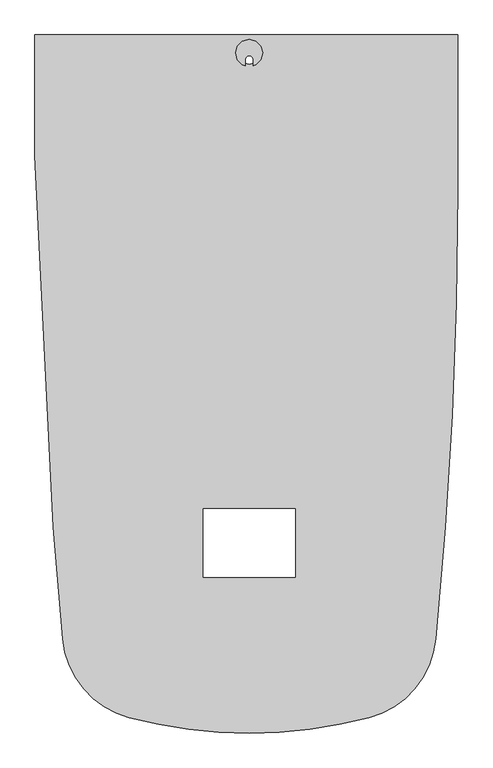
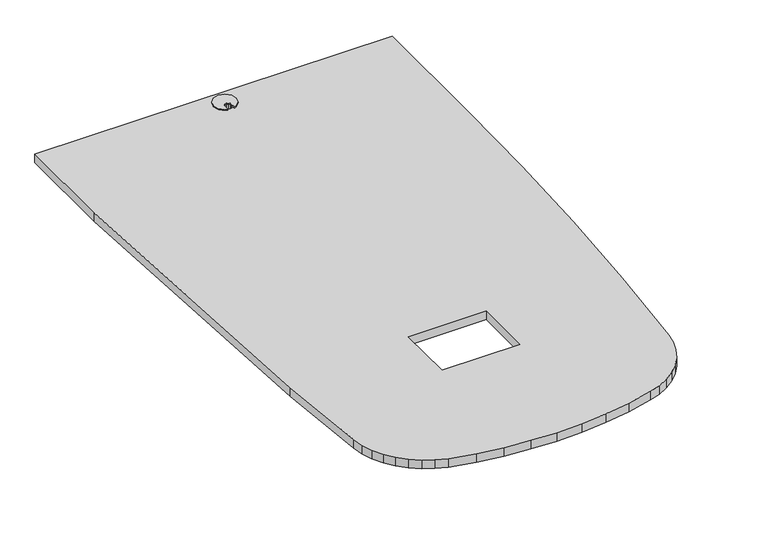
"""IFC4 building model written with IfcOpenShell, lengths in millimetres: furniture geometry."""

from ifc_helpers import new_model, si_unit, frame, origin, place, context, project, spatial, polyline, outline, extrude, source, transform, mapped, element, save


def furniture_2e9097b0(model_context):
    return source(origin(), model_context, "Body", "SweptSolid", [
        extrude(outline(polyline([(9.5250001, -69.8500015), (1197.4576014, -69.8500015), (1197.4575287, -507.7460426), (1193.6256405, -823.079048), (1182.132374, -1138.2259455), (1162.9842695, -1453.0005547), (1136.1928089, -1767.2168404), (1129.5448135, -1805.2121956), (1117.2202751, -1841.7627262), (1099.5033333, -1876.0256058), (1076.8023933, -1907.2107662), (1049.6411879, -1934.5987747), (1018.6458414, -1957.5582745), (984.5314993, -1975.5596466), (948.0846687, -1988.1876549), (865.2115295, -2007.1850418), (781.2878731, -2020.8110996), (696.6614252, -2029.0095818), (611.6827823, -2031.7460426), (526.704212, -2029.0095818), (442.0777278, -2020.8110996), (358.1540713, -2007.1850418), (275.2809503, -1988.1876549), (238.8341379, -1975.5596466), (204.7197413, -1957.5582745), (173.724522, -1934.5987747), (146.563262, -1907.2107662), (123.8623493, -1876.0256058), (106.1453076, -1841.7627262), (93.8207237, -1805.2121956), (87.172801, -1767.2168404), (60.3813268, -1453.0005547), (9.5250001, -407.8794257), (9.5250001, -69.8500015)]), holes=[polyline([(740.8925917, -1594.5103764), (740.8925917, -1401.2163609), (482.5746018, -1401.2163609), (482.5746018, -1594.5103764), (740.8925917, -1594.5103764)]), polyline([(622.6301882, -148.9699762), (622.6301882, -139.5730031), (621.1635626, -134.0993002), (617.1564671, -130.0922773), (611.6827823, -128.6256063), (606.2090975, -130.0922773), (602.2020746, -134.0993002), (600.7354127, -139.5730031), (600.7354127, -148.969988), (611.6827823, -152.527009), (622.6301882, -148.9699762)])]), frame((0.0, 0.0, 703.6308576), z_axis=(0.0, 0.0, 1.0), x_axis=(1.0, 0.0, 0.0)), (0.0, 0.0, 1.0), 29.8703424),
        extrude(outline(polyline([(600.7354127, -156.9493226), (592.6328186, -153.6455635), (578.6872309, -139.700003), (573.5828186, -120.650003), (578.6872309, -101.600003), (592.6328186, -87.6544425), (611.6828186, -82.5500121), (630.7328186, -87.6544425), (644.6783337, -101.600003), (649.7828186, -120.650003), (644.6783337, -139.700003), (630.7328186, -153.6455635), (622.6301882, -156.9493226), (622.6301882, -154.4829397), (622.6301882, -139.5730031), (621.1635626, -134.0993002), (617.1564671, -130.0922773), (611.6827823, -128.6256063), (606.2090975, -130.0922773), (602.2020746, -134.0993002), (600.7354127, -139.5730031), (600.7354127, -154.4829397), (600.7354127, -156.9493226)])), frame((0.0, 0.0, 733.5012), z_axis=(0.0, 0.0, 1.0), x_axis=(1.0, 0.0, 0.0)), (0.0, 0.0, 1.0), 4.1465492),
    ])


if __name__ == "__main__":
    model = new_model("IFC4")
    model_context = context("Model", 3, world=origin())
    ifc_project = project(units=[si_unit("LENGTHUNIT", "METRE", prefix="MILLI")], contexts=[model_context])
    site = spatial("IfcSite", under=ifc_project)
    building = spatial("IfcBuilding", under=site)
    placement = place(None, origin())
    furniture_shape = furniture_2e9097b0(model_context)
    element("IfcFurniture", 1, at=placement, inside=building, context=model_context, shape_type="MappedRepresentation", body=[
        mapped(furniture_shape, transform((0.0, 0.0, 0.0), x_axis=(1.0, 0.0, 0.0), y_axis=(0.0, 1.0, 0.0), z_axis=(0.0, 0.0, 1.0))),
    ])
    save(model, "model.ifc")
